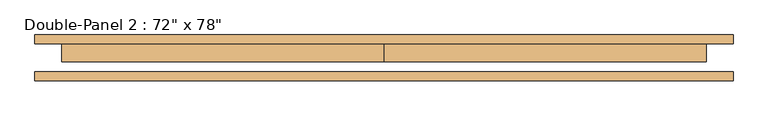
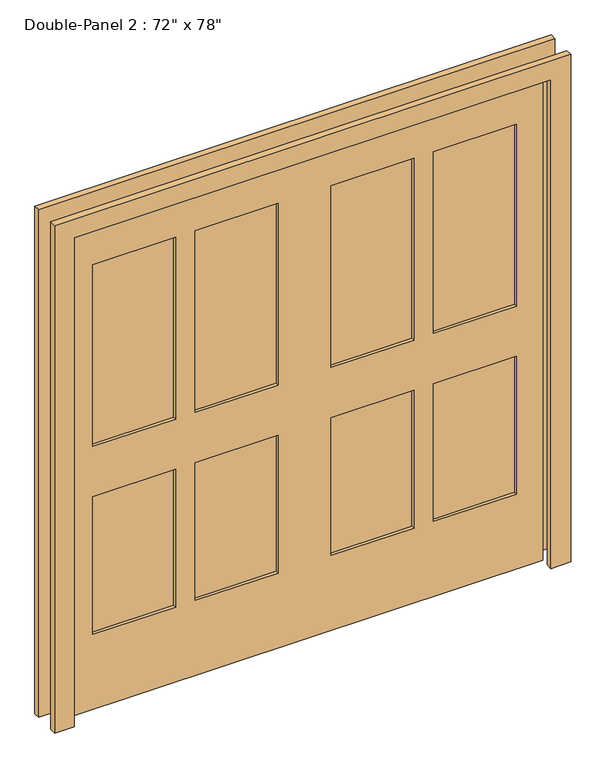
"""IFC4 building model written with IfcOpenShell, lengths in millimetres: door geometry."""

import ifcopenshell
import ifcopenshell.guid

model = None  # the IFC model being written
_history = None  # IfcOwnerHistory: only IFC2X3 demands one
_inside = {}  # id of a spatial element -> (the spatial element, [elements in it])
_under = {}  # id of a project, library or spatial element -> (it, [spatial elements below it])
_declared = {}  # id of a project -> (the project, [libraries it declares])
_typed = {}  # id of a type object -> (the type object, [elements of that type])
_made_of = {}  # id of a material, layer set ... -> (it, [elements and type objects made of it])


def new_model(schema):
    """Start an empty IFC model of exactly this schema.

    Asked for "IFC4X3", IfcOpenShell would pick the latest addendum, in which some entities
    have other attributes; the version numbers below select the first issue.
    IFC2X3 requires an IfcOwnerHistory on every rooted entity: one is made here for all.
    """
    global model, _history
    if schema == "IFC4X3":
        model = ifcopenshell.file(schema_version=(4, 3, 0, 0))
    else:
        model = ifcopenshell.file(schema=schema)
    _inside.clear()
    _under.clear()
    _declared.clear()
    _typed.clear()
    _made_of.clear()
    _history = None
    if model.schema == "IFC2X3":
        org = make("IfcOrganization", Name="unknown")
        user = make(
            "IfcPersonAndOrganization",
            ThePerson=make("IfcPerson", FamilyName="unknown"),
            TheOrganization=org,
        )
        app = make(
            "IfcApplication",
            ApplicationDeveloper=org,
            Version="unknown",
            ApplicationFullName="unknown",
            ApplicationIdentifier="unknown",
        )
        _history = make(
            "IfcOwnerHistory",
            OwningUser=user,
            OwningApplication=app,
            ChangeAction="ADDED",
            CreationDate=0,
        )
    return model


def make(cls, **values):
    """One entity of the class cls with the attributes given. An attribute that is None is left unset."""
    return model.create_entity(
        cls, **{name: value for name, value in values.items() if value is not None}
    )


def rooted(cls, **values):
    """An entity with a GlobalId (a new one), such as an element, a storey or a relation."""
    return make(cls, GlobalId=ifcopenshell.guid.new(), OwnerHistory=_history, **values)


def si_unit(unit_type, name, prefix=None):
    """IfcSIUnit, for example si_unit("LENGTHUNIT", "METRE", prefix="MILLI")."""
    return make("IfcSIUnit", UnitType=unit_type, Prefix=prefix, Name=name)


def assignment(units):
    """IfcUnitAssignment: the units of a project."""
    return None if units is None else make("IfcUnitAssignment", Units=units)


def point(xyz):
    """IfcCartesianPoint."""
    return None if xyz is None else make("IfcCartesianPoint", Coordinates=xyz)


def direction(xyz):
    """IfcDirection."""
    return None if xyz is None else make("IfcDirection", DirectionRatios=xyz)


def frame(location, z_axis=None, x_axis=None):
    """IfcAxis2Placement3D, a coordinate frame: its origin and axes. An axis left out is left unset."""
    return make(
        "IfcAxis2Placement3D",
        Location=point(location),
        Axis=direction(z_axis),
        RefDirection=direction(x_axis),
    )


def origin():
    """The frame at (0, 0, 0) with its axes left unset."""
    return frame((0.0, 0.0, 0.0))


def place(relative_to, where):
    """IfcLocalPlacement: puts the frame where relative to a parent placement (None: the world)."""
    return make(
        "IfcLocalPlacement", PlacementRelTo=relative_to, RelativePlacement=where
    )


def context(
    kind, dimensions, precision=None, world=None, true_north=None, identifier=None
):
    """IfcGeometricRepresentationContext, for example the 3D "Model" context."""
    return make(
        "IfcGeometricRepresentationContext",
        ContextIdentifier=identifier,
        ContextType=kind,
        CoordinateSpaceDimension=dimensions,
        Precision=precision,
        WorldCoordinateSystem=world,
        TrueNorth=true_north,
    )


def project(units=None, contexts=None):
    """IfcProject with its units and contexts."""
    return rooted(
        "IfcProject",
        Name="project",
        RepresentationContexts=contexts,
        UnitsInContext=assignment(units),
    )


def spatial(cls, under=None, at=None, **own):
    """A site, building, storey or space (cls), placed at a placement, below another one or the project."""
    s = rooted(cls, ObjectPlacement=at, **own)
    if under is not None:
        _under.setdefault(under.id(), (under, []))[1].append(s)
    return s


def polyline(points):
    """IfcPolyline through the points."""
    return make("IfcPolyline", Points=[point(p) for p in points])


def outline(outer, holes=None, kind="AREA"):
    """IfcArbitraryClosedProfileDef: a profile drawn as a closed curve; with holes, ...WithVoids."""
    if holes is None:
        return make("IfcArbitraryClosedProfileDef", ProfileType=kind, OuterCurve=outer)
    return make(
        "IfcArbitraryProfileDefWithVoids",
        ProfileType=kind,
        OuterCurve=outer,
        InnerCurves=holes,
    )


def extrude(swept, where, along, depth):
    """IfcExtrudedAreaSolid: the profile swept, set in the frame where, extruded along a direction by depth."""
    return make(
        "IfcExtrudedAreaSolid",
        SweptArea=swept,
        Position=where,
        ExtrudedDirection=direction(along),
        Depth=depth,
    )


def shape(context_of_items, identifier, shape_type, items):
    """IfcShapeRepresentation: the items that make up one representation, for example the "Body"."""
    return make(
        "IfcShapeRepresentation",
        ContextOfItems=context_of_items,
        RepresentationIdentifier=identifier,
        RepresentationType=shape_type,
        Items=items,
    )


def source(mapping_origin, context_of_items, identifier, shape_type, items):
    """IfcRepresentationMap: a shape defined once, which mapped items show again and again."""
    return make(
        "IfcRepresentationMap",
        MappingOrigin=mapping_origin,
        MappedRepresentation=shape(context_of_items, identifier, shape_type, items),
    )


def transform(
    local_origin,
    x_axis=None,
    y_axis=None,
    z_axis=None,
    scale=None,
    scale2=None,
    scale3=None,
    uniform=True,
):
    """IfcCartesianTransformationOperator3D, or its non-uniform kind. x_axis, y_axis, z_axis: its Axis1, 2, 3."""
    if uniform:
        return make(
            "IfcCartesianTransformationOperator3D",
            Axis1=direction(x_axis),
            Axis2=direction(y_axis),
            LocalOrigin=point(local_origin),
            Scale=scale,
            Axis3=direction(z_axis),
        )
    return make(
        "IfcCartesianTransformationOperator3DnonUniform",
        Axis1=direction(x_axis),
        Axis2=direction(y_axis),
        LocalOrigin=point(local_origin),
        Scale=scale,
        Axis3=direction(z_axis),
        Scale2=scale2,
        Scale3=scale3,
    )


def mapped(mapping_source, mapping_target):
    """IfcMappedItem: shows the shape of a source again, moved by a transform."""
    return make(
        "IfcMappedItem", MappingSource=mapping_source, MappingTarget=mapping_target
    )


def made_of(thing, what):
    """Note that an element or type object is made of a material, layer set ...; save() writes the relation."""
    if what is not None:
        _made_of.setdefault(what.id(), (what, []))[1].append(thing)
    return thing


def element(
    cls,
    number,
    at=None,
    inside=None,
    cuts=None,
    type_object=None,
    material=None,
    context=None,
    identifier="Body",
    shape_type=None,
    held_by="IfcProductDefinitionShape",
    body=None,
    shapes=None,
    **own,
):
    """One element of the class cls, such as IfcWall. Its Tag is "e" and its number.

    at: its placement. inside: the storey or other place that contains it. cuts: it is an
    opening in that element (IfcRelVoidsElement). A single representation is given by context,
    identifier, shape_type and body (its items); several are given by shapes. held_by: the class
    of the entity that holds the representations. save() writes the other relations.
    """
    e = rooted(cls, Tag="e%d" % number, ObjectPlacement=at, **own)
    if body is not None:
        shapes = [shape(context, identifier, shape_type, body)]
    if shapes is not None:
        e.Representation = make(held_by, Representations=shapes)
    if inside is not None:
        _inside.setdefault(inside.id(), (inside, []))[1].append(e)
    if cuts is not None:
        rooted(
            "IfcRelVoidsElement", RelatingBuildingElement=cuts, RelatedOpeningElement=e
        )
    if type_object is not None:
        _typed.setdefault(type_object.id(), (type_object, []))[1].append(e)
    return made_of(e, material)


def aggregate(whole, parts):
    """IfcRelAggregates: a whole, such as a stair, and the parts it consists of."""
    return rooted("IfcRelAggregates", RelatingObject=whole, RelatedObjects=parts)


def save(model, path):
    """Write the relations noted so far, then the file.

    IfcRelAggregates (storeys below a building ...), IfcRelContainedInSpatialStructure (elements
    in a storey), IfcRelDefinesByType, IfcRelAssociatesMaterial and IfcRelDeclares: one each for
    every whole, place, type object, material and project.
    """
    for whole, parts in _under.values():
        aggregate(whole, parts)
    for where, things in _inside.values():
        rooted(
            "IfcRelContainedInSpatialStructure",
            RelatedElements=things,
            RelatingStructure=where,
        )
    for kind, things in _typed.values():
        rooted("IfcRelDefinesByType", RelatedObjects=things, RelatingType=kind)
    for what, things in _made_of.values():
        rooted("IfcRelAssociatesMaterial", RelatedObjects=things, RelatingMaterial=what)
    for by, libraries in _declared.values():
        rooted("IfcRelDeclares", RelatingContext=by, RelatedDefinitions=libraries)
    model.write(path)


def door_3a8dd293(model_context):
    return source(origin(), model_context, "Body", "SweptSolid", [
        extrude(outline(polyline([(2057.4, -990.6), (0.0, -990.6), (0.0, -914.4), (1981.2, -914.4), (1981.2, 914.4), (0.0, 914.4), (0.0, 990.6), (2057.4, 990.6), (2057.4, -990.6)])), frame((0.0, 39.6875, 0.0), z_axis=(0.0, 1.0, 0.0), x_axis=(0.0, 0.0, 1.0)), (0.0, 0.0, 1.0), 25.4),
        extrude(outline(polyline([(495.3, 26.9875), (812.8, 26.9875), (812.8, 1.5875), (495.3, 1.5875), (495.3, 26.9875)])), frame((0.0, 0.0, 1066.8), z_axis=(0.0, 0.0, 1.0), x_axis=(1.0, 0.0, 0.0)), (0.0, 0.0, 1.0), 736.6),
        extrude(outline(polyline([(101.6, 26.9875), (419.1, 26.9875), (419.1, 1.5875), (101.6, 1.5875), (101.6, 26.9875)])), frame((0.0, 0.0, 1066.8), z_axis=(0.0, 0.0, 1.0), x_axis=(1.0, 0.0, 0.0)), (0.0, 0.0, 1.0), 736.6),
        extrude(outline(polyline([(495.3, 26.9875), (812.8, 26.9875), (812.8, 1.5875), (495.3, 1.5875), (495.3, 26.9875)])), frame((0.0, 0.0, 304.8), z_axis=(0.0, 0.0, 1.0), x_axis=(1.0, 0.0, 0.0)), (0.0, 0.0, 1.0), 558.8),
        extrude(outline(polyline([(101.6, 26.9875), (419.1, 26.9875), (419.1, 1.5875), (101.6, 1.5875), (101.6, 26.9875)])), frame((0.0, 0.0, 304.8), z_axis=(0.0, 0.0, 1.0), x_axis=(1.0, 0.0, 0.0)), (0.0, 0.0, 1.0), 558.8),
        extrude(outline(polyline([(-419.1, 26.9875), (-101.6, 26.9875), (-101.6, 1.5875), (-419.1, 1.5875), (-419.1, 26.9875)])), frame((0.0, 0.0, 1066.8), z_axis=(0.0, 0.0, 1.0), x_axis=(1.0, 0.0, 0.0)), (0.0, 0.0, 1.0), 736.6),
        extrude(outline(polyline([(-812.8, 26.9875), (-495.3, 26.9875), (-495.3, 1.5875), (-812.8, 1.5875), (-812.8, 26.9875)])), frame((0.0, 0.0, 1066.8), z_axis=(0.0, 0.0, 1.0), x_axis=(1.0, 0.0, 0.0)), (0.0, 0.0, 1.0), 736.6),
        extrude(outline(polyline([(-419.1, 26.9875), (-101.6, 26.9875), (-101.6, 1.5875), (-419.1, 1.5875), (-419.1, 26.9875)])), frame((0.0, 0.0, 304.8), z_axis=(0.0, 0.0, 1.0), x_axis=(1.0, 0.0, 0.0)), (0.0, 0.0, 1.0), 558.8),
        extrude(outline(polyline([(-812.8, 26.9875), (-495.3, 26.9875), (-495.3, 1.5875), (-812.8, 1.5875), (-812.8, 26.9875)])), frame((0.0, 0.0, 304.8), z_axis=(0.0, 0.0, 1.0), x_axis=(1.0, 0.0, 0.0)), (0.0, 0.0, 1.0), 558.8),
        extrude(outline(polyline([(1981.2, 0.0), (1981.2, -914.4), (0.0, -914.4), (0.0, 0.0), (0.0, 914.4), (1981.2, 914.4), (1981.2, 0.0)]), holes=[polyline([(1803.4, 495.3), (1803.4, 812.8), (1066.8, 812.8), (1066.8, 495.3), (1803.4, 495.3)]), polyline([(1803.4, 101.6), (1803.4, 419.1), (1066.8, 419.1), (1066.8, 101.6), (1803.4, 101.6)]), polyline([(863.6, 495.3), (863.6, 812.8), (304.8, 812.8), (304.8, 495.3), (863.6, 495.3)]), polyline([(863.6, 101.6), (863.6, 419.1), (304.8, 419.1), (304.8, 101.6), (863.6, 101.6)]), polyline([(1066.8, -419.1), (1803.4, -419.1), (1803.4, -101.6), (1066.8, -101.6), (1066.8, -419.1)]), polyline([(1803.4, -812.8), (1803.4, -495.3), (1066.8, -495.3), (1066.8, -812.8), (1803.4, -812.8)]), polyline([(863.6, -419.1), (863.6, -101.6), (304.8, -101.6), (304.8, -419.1), (863.6, -419.1)]), polyline([(863.6, -812.8), (863.6, -495.3), (304.8, -495.3), (304.8, -812.8), (863.6, -812.8)])]), frame((0.0, -11.1125, 0.0), z_axis=(0.0, 1.0, 0.0), x_axis=(0.0, 0.0, 1.0)), (0.0, 0.0, 1.0), 50.8),
        extrude(outline(polyline([(1981.2, -914.4), (1981.2, 914.4), (0.0, 914.4), (0.0, 990.6), (2057.4, 990.6), (2057.4, -990.6), (0.0, -990.6), (0.0, -914.4), (1981.2, -914.4)])), frame((0.0, -65.0875, 0.0), z_axis=(0.0, 1.0, 0.0), x_axis=(0.0, 0.0, 1.0)), (0.0, 0.0, 1.0), 25.4),
    ])


if __name__ == "__main__":
    model = new_model("IFC4")
    model_context = context("Model", 3, world=origin())
    ifc_project = project(units=[si_unit("LENGTHUNIT", "METRE", prefix="MILLI")], contexts=[model_context])
    site = spatial("IfcSite", under=ifc_project)
    building = spatial("IfcBuilding", under=site)
    placement = place(None, origin())
    door_shape = door_3a8dd293(model_context)
    element("IfcDoor", 1, ObjectType="Double-Panel 2 : 72\" x 78\"", at=placement, inside=building, context=model_context, shape_type="MappedRepresentation", body=[
        mapped(door_shape, transform((0.0, 0.0, 0.0), x_axis=(1.0, 0.0, 0.0), y_axis=(0.0, 1.0, 0.0), z_axis=(0.0, 0.0, 1.0))),
    ])
    save(model, "model.ifc")
